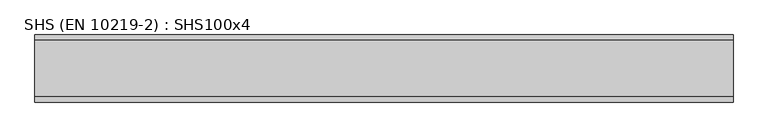
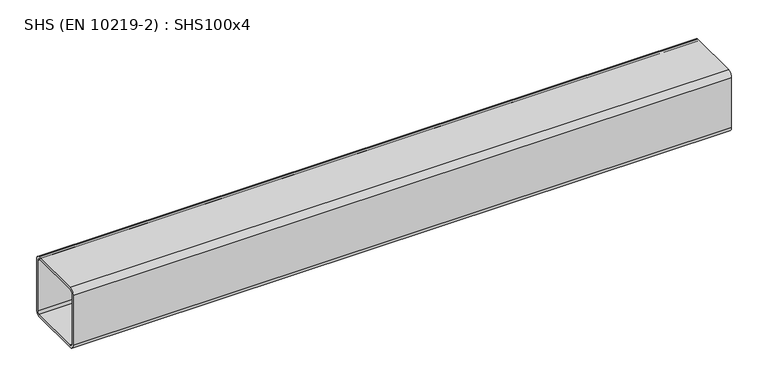
"""IFC4 building model written with IfcOpenShell, lengths in millimetres: beam geometry, SHS (EN 10219-2) : SHS100x4."""

import ifcopenshell
import ifcopenshell.guid

model = None  # the IFC model being written
_history = None  # IfcOwnerHistory: only IFC2X3 demands one
_inside = {}  # id of a spatial element -> (the spatial element, [elements in it])
_under = {}  # id of a project, library or spatial element -> (it, [spatial elements below it])
_declared = {}  # id of a project -> (the project, [libraries it declares])
_typed = {}  # id of a type object -> (the type object, [elements of that type])
_made_of = {}  # id of a material, layer set ... -> (it, [elements and type objects made of it])


def new_model(schema):
    """Start an empty IFC model of exactly this schema.

    Asked for "IFC4X3", IfcOpenShell would pick the latest addendum, in which some entities
    have other attributes; the version numbers below select the first issue.
    IFC2X3 requires an IfcOwnerHistory on every rooted entity: one is made here for all.
    """
    global model, _history
    if schema == "IFC4X3":
        model = ifcopenshell.file(schema_version=(4, 3, 0, 0))
    else:
        model = ifcopenshell.file(schema=schema)
    _inside.clear()
    _under.clear()
    _declared.clear()
    _typed.clear()
    _made_of.clear()
    _history = None
    if model.schema == "IFC2X3":
        org = make("IfcOrganization", Name="unknown")
        user = make(
            "IfcPersonAndOrganization",
            ThePerson=make("IfcPerson", FamilyName="unknown"),
            TheOrganization=org,
        )
        app = make(
            "IfcApplication",
            ApplicationDeveloper=org,
            Version="unknown",
            ApplicationFullName="unknown",
            ApplicationIdentifier="unknown",
        )
        _history = make(
            "IfcOwnerHistory",
            OwningUser=user,
            OwningApplication=app,
            ChangeAction="ADDED",
            CreationDate=0,
        )
    return model


def make(cls, **values):
    """One entity of the class cls with the attributes given. An attribute that is None is left unset."""
    return model.create_entity(
        cls, **{name: value for name, value in values.items() if value is not None}
    )


def rooted(cls, **values):
    """An entity with a GlobalId (a new one), such as an element, a storey or a relation."""
    return make(cls, GlobalId=ifcopenshell.guid.new(), OwnerHistory=_history, **values)


def si_unit(unit_type, name, prefix=None):
    """IfcSIUnit, for example si_unit("LENGTHUNIT", "METRE", prefix="MILLI")."""
    return make("IfcSIUnit", UnitType=unit_type, Prefix=prefix, Name=name)


def assignment(units):
    """IfcUnitAssignment: the units of a project."""
    return None if units is None else make("IfcUnitAssignment", Units=units)


def point(xyz):
    """IfcCartesianPoint."""
    return None if xyz is None else make("IfcCartesianPoint", Coordinates=xyz)


def direction(xyz):
    """IfcDirection."""
    return None if xyz is None else make("IfcDirection", DirectionRatios=xyz)


def frame(location, z_axis=None, x_axis=None):
    """IfcAxis2Placement3D, a coordinate frame: its origin and axes. An axis left out is left unset."""
    return make(
        "IfcAxis2Placement3D",
        Location=point(location),
        Axis=direction(z_axis),
        RefDirection=direction(x_axis),
    )


def frame_2d(location, x_axis=None):
    """IfcAxis2Placement2D, a coordinate frame in the plane: its origin and x axis."""
    return make(
        "IfcAxis2Placement2D", Location=point(location), RefDirection=direction(x_axis)
    )


def origin():
    """The frame at (0, 0, 0) with its axes left unset."""
    return frame((0.0, 0.0, 0.0))


def place(relative_to, where):
    """IfcLocalPlacement: puts the frame where relative to a parent placement (None: the world)."""
    return make(
        "IfcLocalPlacement", PlacementRelTo=relative_to, RelativePlacement=where
    )


def context(
    kind, dimensions, precision=None, world=None, true_north=None, identifier=None
):
    """IfcGeometricRepresentationContext, for example the 3D "Model" context."""
    return make(
        "IfcGeometricRepresentationContext",
        ContextIdentifier=identifier,
        ContextType=kind,
        CoordinateSpaceDimension=dimensions,
        Precision=precision,
        WorldCoordinateSystem=world,
        TrueNorth=true_north,
    )


def project(units=None, contexts=None):
    """IfcProject with its units and contexts."""
    return rooted(
        "IfcProject",
        Name="project",
        RepresentationContexts=contexts,
        UnitsInContext=assignment(units),
    )


def spatial(cls, under=None, at=None, **own):
    """A site, building, storey or space (cls), placed at a placement, below another one or the project."""
    s = rooted(cls, ObjectPlacement=at, **own)
    if under is not None:
        _under.setdefault(under.id(), (under, []))[1].append(s)
    return s


def polyline(points):
    """IfcPolyline through the points."""
    return make("IfcPolyline", Points=[point(p) for p in points])


def circle_curve(where, radius):
    """IfcCircle in the frame where."""
    return make("IfcCircle", Position=where, Radius=radius)


def trimmed(basis, trim1, trim2, sense, master):
    """IfcTrimmedCurve: the piece of a basis curve between two trims."""
    return make(
        "IfcTrimmedCurve",
        BasisCurve=basis,
        Trim1=trim1,
        Trim2=trim2,
        SenseAgreement=sense,
        MasterRepresentation=master,
    )


def segment(curve, same_sense, transition):
    """IfcCompositeCurveSegment."""
    return make(
        "IfcCompositeCurveSegment",
        Transition=transition,
        SameSense=same_sense,
        ParentCurve=curve,
    )


def composite_curve(segments, self_intersect=None):
    """IfcCompositeCurve: segments joined end to end."""
    return make("IfcCompositeCurve", Segments=segments, SelfIntersect=self_intersect)


def outline(outer, holes=None, kind="AREA"):
    """IfcArbitraryClosedProfileDef: a profile drawn as a closed curve; with holes, ...WithVoids."""
    if holes is None:
        return make("IfcArbitraryClosedProfileDef", ProfileType=kind, OuterCurve=outer)
    return make(
        "IfcArbitraryProfileDefWithVoids",
        ProfileType=kind,
        OuterCurve=outer,
        InnerCurves=holes,
    )


def extrude(swept, where, along, depth):
    """IfcExtrudedAreaSolid: the profile swept, set in the frame where, extruded along a direction by depth."""
    return make(
        "IfcExtrudedAreaSolid",
        SweptArea=swept,
        Position=where,
        ExtrudedDirection=direction(along),
        Depth=depth,
    )


def shape(context_of_items, identifier, shape_type, items):
    """IfcShapeRepresentation: the items that make up one representation, for example the "Body"."""
    return make(
        "IfcShapeRepresentation",
        ContextOfItems=context_of_items,
        RepresentationIdentifier=identifier,
        RepresentationType=shape_type,
        Items=items,
    )


def source(mapping_origin, context_of_items, identifier, shape_type, items):
    """IfcRepresentationMap: a shape defined once, which mapped items show again and again."""
    return make(
        "IfcRepresentationMap",
        MappingOrigin=mapping_origin,
        MappedRepresentation=shape(context_of_items, identifier, shape_type, items),
    )


def transform(
    local_origin,
    x_axis=None,
    y_axis=None,
    z_axis=None,
    scale=None,
    scale2=None,
    scale3=None,
    uniform=True,
):
    """IfcCartesianTransformationOperator3D, or its non-uniform kind. x_axis, y_axis, z_axis: its Axis1, 2, 3."""
    if uniform:
        return make(
            "IfcCartesianTransformationOperator3D",
            Axis1=direction(x_axis),
            Axis2=direction(y_axis),
            LocalOrigin=point(local_origin),
            Scale=scale,
            Axis3=direction(z_axis),
        )
    return make(
        "IfcCartesianTransformationOperator3DnonUniform",
        Axis1=direction(x_axis),
        Axis2=direction(y_axis),
        LocalOrigin=point(local_origin),
        Scale=scale,
        Axis3=direction(z_axis),
        Scale2=scale2,
        Scale3=scale3,
    )


def mapped(mapping_source, mapping_target):
    """IfcMappedItem: shows the shape of a source again, moved by a transform."""
    return make(
        "IfcMappedItem", MappingSource=mapping_source, MappingTarget=mapping_target
    )


def made_of(thing, what):
    """Note that an element or type object is made of a material, layer set ...; save() writes the relation."""
    if what is not None:
        _made_of.setdefault(what.id(), (what, []))[1].append(thing)
    return thing


def element(
    cls,
    number,
    at=None,
    inside=None,
    cuts=None,
    type_object=None,
    material=None,
    context=None,
    identifier="Body",
    shape_type=None,
    held_by="IfcProductDefinitionShape",
    body=None,
    shapes=None,
    **own,
):
    """One element of the class cls, such as IfcWall. Its Tag is "e" and its number.

    at: its placement. inside: the storey or other place that contains it. cuts: it is an
    opening in that element (IfcRelVoidsElement). A single representation is given by context,
    identifier, shape_type and body (its items); several are given by shapes. held_by: the class
    of the entity that holds the representations. save() writes the other relations.
    """
    e = rooted(cls, Tag="e%d" % number, ObjectPlacement=at, **own)
    if body is not None:
        shapes = [shape(context, identifier, shape_type, body)]
    if shapes is not None:
        e.Representation = make(held_by, Representations=shapes)
    if inside is not None:
        _inside.setdefault(inside.id(), (inside, []))[1].append(e)
    if cuts is not None:
        rooted(
            "IfcRelVoidsElement", RelatingBuildingElement=cuts, RelatedOpeningElement=e
        )
    if type_object is not None:
        _typed.setdefault(type_object.id(), (type_object, []))[1].append(e)
    return made_of(e, material)


def aggregate(whole, parts):
    """IfcRelAggregates: a whole, such as a stair, and the parts it consists of."""
    return rooted("IfcRelAggregates", RelatingObject=whole, RelatedObjects=parts)


def save(model, path):
    """Write the relations noted so far, then the file.

    IfcRelAggregates (storeys below a building ...), IfcRelContainedInSpatialStructure (elements
    in a storey), IfcRelDefinesByType, IfcRelAssociatesMaterial and IfcRelDeclares: one each for
    every whole, place, type object, material and project.
    """
    for whole, parts in _under.values():
        aggregate(whole, parts)
    for where, things in _inside.values():
        rooted(
            "IfcRelContainedInSpatialStructure",
            RelatedElements=things,
            RelatingStructure=where,
        )
    for kind, things in _typed.values():
        rooted("IfcRelDefinesByType", RelatedObjects=things, RelatingType=kind)
    for what, things in _made_of.values():
        rooted("IfcRelAssociatesMaterial", RelatedObjects=things, RelatingMaterial=what)
    for by, libraries in _declared.values():
        rooted("IfcRelDeclares", RelatingContext=by, RelatedDefinitions=libraries)
    model.write(path)


def shs_en_10219_2_shs100x4_52ef8366(model_context):
    return source(origin(), model_context, "Body", "SweptSolid", [
        extrude(outline(composite_curve([segment(trimmed(circle_curve(frame_2d((-42.0, 42.0)), 8.0), [point((-50.0, 42.0))], [point((-42.0, 50.0))], False, "CARTESIAN"), True, "CONTINUOUS"), segment(polyline([(-42.0, 50.0), (42.0, 50.0)]), True, "CONTINUOUS"), segment(trimmed(circle_curve(frame_2d((42.0, 42.0)), 8.0), [point((42.0, 50.0))], [point((50.0, 42.0))], False, "CARTESIAN"), True, "CONTINUOUS"), segment(polyline([(50.0, 42.0), (50.0, -42.0)]), True, "CONTINUOUS"), segment(trimmed(circle_curve(frame_2d((42.0, -42.0)), 8.0), [point((50.0, -42.0))], [point((42.0, -50.0))], False, "CARTESIAN"), True, "CONTINUOUS"), segment(polyline([(42.0, -50.0), (-42.0, -50.0)]), True, "CONTINUOUS"), segment(trimmed(circle_curve(frame_2d((-42.0, -42.0)), 8.0), [point((-42.0, -50.0))], [point((-50.0, -42.0))], False, "CARTESIAN"), True, "CONTINUOUS"), segment(polyline([(-50.0, -42.0), (-50.0, 42.0)]), True, "CONTINUOUS")], self_intersect=False), holes=[composite_curve([segment(polyline([(42.0, 46.0), (-42.0, 46.0)]), True, "CONTINUOUS"), segment(trimmed(circle_curve(frame_2d((-42.0, 42.0)), 4.0), [point((-42.0, 46.0))], [point((-46.0, 42.0))], True, "CARTESIAN"), True, "CONTINUOUS"), segment(polyline([(-46.0, 42.0), (-46.0, -42.0)]), True, "CONTINUOUS"), segment(trimmed(circle_curve(frame_2d((-42.0, -42.0)), 4.0), [point((-46.0, -42.0))], [point((-42.0, -46.0))], True, "CARTESIAN"), True, "CONTINUOUS"), segment(polyline([(-42.0, -46.0), (42.0, -46.0)]), True, "CONTINUOUS"), segment(trimmed(circle_curve(frame_2d((42.0, -42.0)), 4.0), [point((42.0, -46.0))], [point((46.0, -42.0))], True, "CARTESIAN"), True, "CONTINUOUS"), segment(polyline([(46.0, -42.0), (46.0, 42.0)]), True, "CONTINUOUS"), segment(trimmed(circle_curve(frame_2d((42.0, 42.0)), 4.0), [point((46.0, 42.0))], [point((42.0, 46.0))], True, "CARTESIAN"), True, "CONTINUOUS")], self_intersect=False)]), frame((-520.0, 0.0, 0.0), z_axis=(1.0, 0.0, 0.0), x_axis=(0.0, 1.0, 0.0)), (0.0, 0.0, 1.0), 1040.0),
    ])


if __name__ == "__main__":
    model = new_model("IFC4")
    model_context = context("Model", 3, world=origin())
    ifc_project = project(units=[si_unit("LENGTHUNIT", "METRE", prefix="MILLI")], contexts=[model_context])
    site = spatial("IfcSite", under=ifc_project)
    building = spatial("IfcBuilding", under=site)
    placement = place(None, origin())
    shs_en_10219_2_shs100x4_shape = shs_en_10219_2_shs100x4_52ef8366(model_context)
    element("IfcBeam", 1, ObjectType="SHS (EN 10219-2) : SHS100x4", at=placement, inside=building, context=model_context, shape_type="MappedRepresentation", body=[
        mapped(shs_en_10219_2_shs100x4_shape, transform((0.0, 0.0, 0.0), x_axis=(1.0, 0.0, 0.0), y_axis=(0.0, 1.0, 0.0), z_axis=(0.0, 0.0, 1.0))),
    ])
    save(model, "model.ifc")
